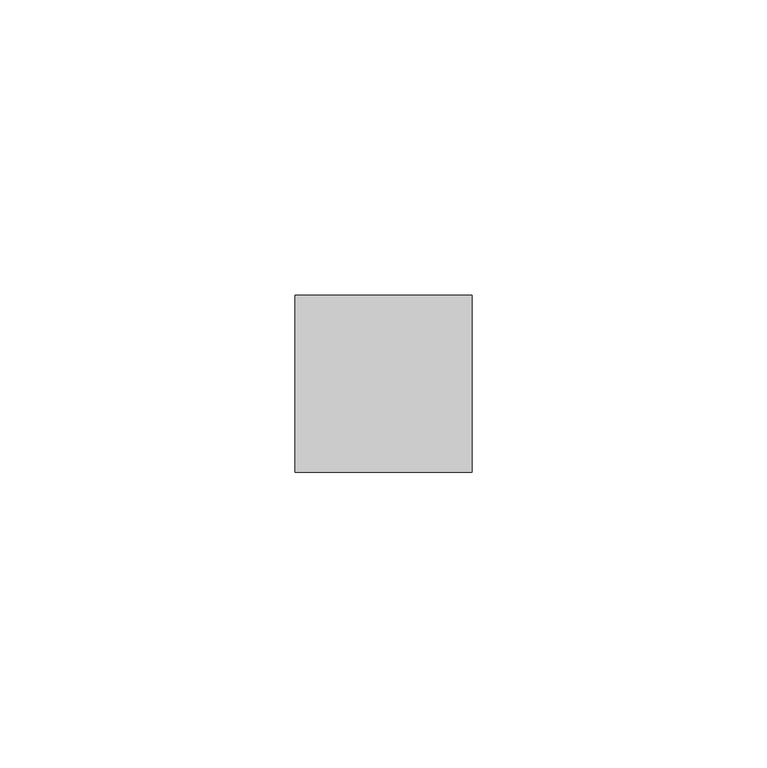
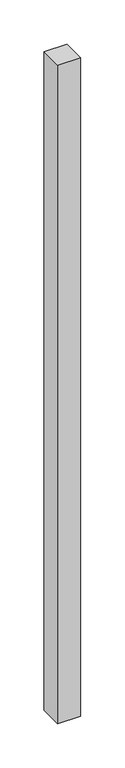
"""IFC4 building model written with IfcOpenShell, lengths in millimetres: member geometry."""

from ifc_helpers import new_model, si_unit, frame, origin, place, context, project, spatial, polyline, outline, extrude, source, transform, mapped, element, save


def member_cc7a6d2c(model_context):
    return source(origin(), model_context, "Body", "SweptSolid", [
        extrude(outline(polyline([(15.0, 15.0), (15.0, -15.0), (-15.0, -15.0), (-15.0, 15.0), (15.0, 15.0)])), frame((0.0, 0.0, -906.5982143), z_axis=(0.0, 0.0, 1.0), x_axis=(1.0, 0.0, 0.0)), (0.0, 0.0, 1.0), 906.5982143),
    ])


if __name__ == "__main__":
    model = new_model("IFC4")
    model_context = context("Model", 3, world=origin())
    ifc_project = project(units=[si_unit("LENGTHUNIT", "METRE", prefix="MILLI")], contexts=[model_context])
    site = spatial("IfcSite", under=ifc_project)
    building = spatial("IfcBuilding", under=site)
    placement = place(None, origin())
    member_shape = member_cc7a6d2c(model_context)
    element("IfcMember", 1, at=placement, inside=building, context=model_context, shape_type="MappedRepresentation", body=[
        mapped(member_shape, transform((0.0, 0.0, 0.0), x_axis=(1.0, 0.0, 0.0), y_axis=(0.0, 1.0, 0.0), z_axis=(0.0, 0.0, 1.0))),
    ])
    save(model, "model.ifc")
